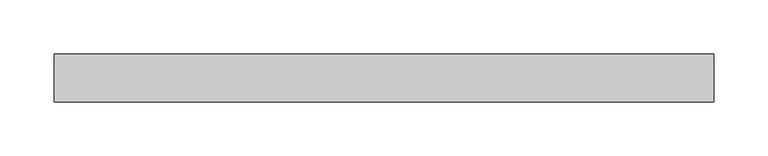
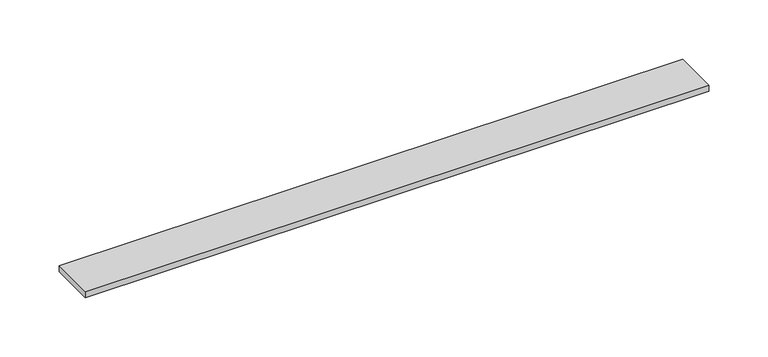
"""IFC4 building model written with IfcOpenShell, lengths in millimetres: furniture geometry."""

from ifc_helpers import new_model, si_unit, frame, origin, place, context, project, spatial, polyline, outline, extrude, source, transform, mapped, element, save


def furniture_0e1f2969(model_context):
    return source(origin(), model_context, "Body", "SweptSolid", [
        extrude(outline(polyline([(248.81205, 16.51), (248.81205, -27.94), (-360.78795, -27.94), (-360.78795, 16.51), (248.81205, 16.51)])), frame((0.0, 0.0, 1162.05), z_axis=(0.0, 0.0, 1.0), x_axis=(1.0, 0.0, 0.0)), (0.0, 0.0, 1.0), 6.35),
    ])


if __name__ == "__main__":
    model = new_model("IFC4")
    model_context = context("Model", 3, world=origin())
    ifc_project = project(units=[si_unit("LENGTHUNIT", "METRE", prefix="MILLI")], contexts=[model_context])
    site = spatial("IfcSite", under=ifc_project)
    building = spatial("IfcBuilding", under=site)
    placement = place(None, origin())
    furniture_shape = furniture_0e1f2969(model_context)
    element("IfcFurniture", 1, at=placement, inside=building, context=model_context, shape_type="MappedRepresentation", body=[
        mapped(furniture_shape, transform((0.0, 0.0, 0.0), x_axis=(1.0, 0.0, 0.0), y_axis=(0.0, 1.0, 0.0), z_axis=(0.0, 0.0, 1.0))),
    ])
    save(model, "model.ifc")
